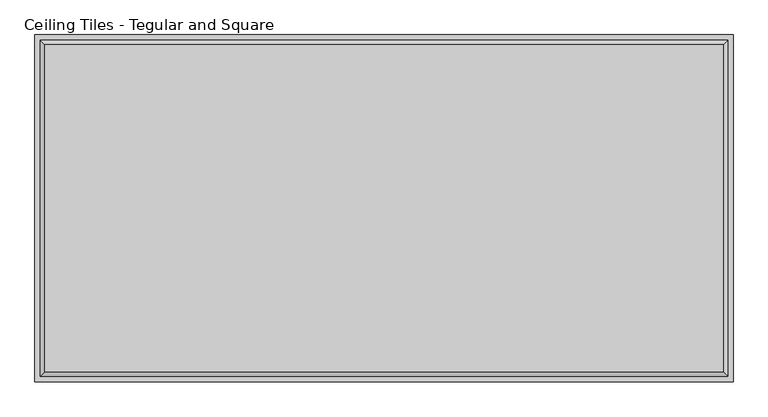
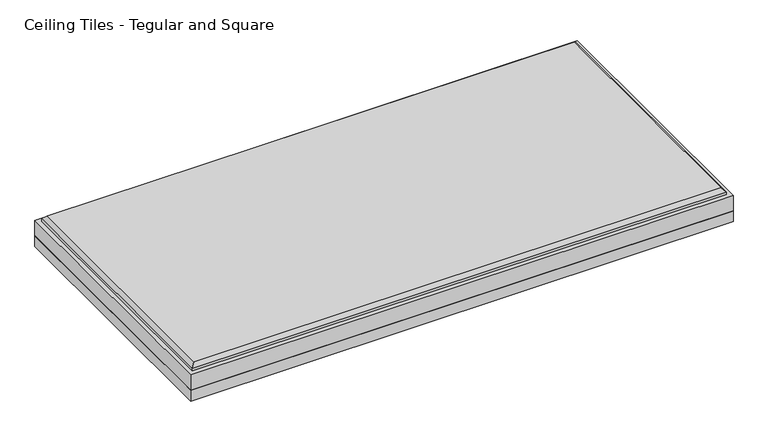
"""IFC4 building model written with IfcOpenShell, lengths in millimetres: proxy geometry, Ceiling Tiles - Tegular and Square."""

from ifc_helpers import new_model, si_unit, origin, origin_with_axes, place, context, project, spatial, polyline, outline, extrude, faceted_brep, source, transform, mapped, element, save


def ceiling_tiles_tegular_and_square_4e05f29e(model_context):
    return source(origin(), model_context, "Body", "SolidModel", [
        extrude(outline(polyline([(606.425, 301.625), (606.425, -301.625), (-606.425, -301.625), (-606.425, 301.625), (606.425, 301.625)])), origin_with_axes(), (0.0, 0.0, 1.0), 25.4),
        faceted_brep([(588.899, 284.099, 76.2), (-588.899, 284.099, 76.2), (-588.899, -284.099, 76.2), (588.899, -284.099, 76.2), (-606.425, 301.625, 25.4), (606.425, 301.625, 25.4), (606.425, -301.625, 25.4), (-606.425, -301.625, 25.4), (-606.425, -301.625, 61.9125), (-606.425, 301.625, 61.9125), (606.425, -301.625, 61.9125), (606.425, 301.625, 61.9125), (596.9, 292.1, 68.199), (-596.9, 292.1, 68.199), (-596.9, -292.1, 68.199), (596.9, -292.1, 68.199), (596.9, 292.1, 61.9125), (-596.9, 292.1, 61.9125), (-596.9, -292.1, 61.9125), (596.9, -292.1, 61.9125)], [[[0, 1, 2, 3]], [[4, 5, 6, 7]], [[4, 7, 8, 9]], [[7, 6, 10, 8]], [[6, 5, 11, 10]], [[5, 4, 9, 11]], [[12, 13, 1, 0]], [[1, 13, 14, 2]], [[2, 14, 15, 3]], [[12, 0, 3, 15]], [[16, 17, 13, 12]], [[13, 17, 18, 14]], [[14, 18, 19, 15]], [[16, 12, 15, 19]], [[9, 8, 10, 11], [17, 16, 19, 18]]]),
    ])


if __name__ == "__main__":
    model = new_model("IFC4")
    model_context = context("Model", 3, world=origin())
    ifc_project = project(units=[si_unit("LENGTHUNIT", "METRE", prefix="MILLI")], contexts=[model_context])
    site = spatial("IfcSite", under=ifc_project)
    building = spatial("IfcBuilding", under=site)
    placement = place(None, origin())
    ceiling_tiles_tegular_and_square_shape = ceiling_tiles_tegular_and_square_4e05f29e(model_context)
    element("IfcBuildingElementProxy", 1, Name="Ceiling Tiles - Tegular and Square", ObjectType="Ceiling Tiles - Tegular and Square", at=placement, inside=building, context=model_context, shape_type="MappedRepresentation", body=[
        mapped(ceiling_tiles_tegular_and_square_shape, transform((0.0, 0.0, 0.0), x_axis=(1.0, 0.0, 0.0), y_axis=(0.0, 1.0, 0.0), z_axis=(0.0, 0.0, 1.0))),
    ])
    save(model, "model.ifc")
